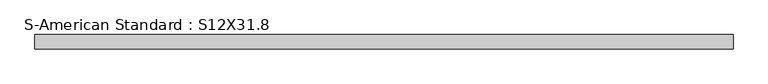
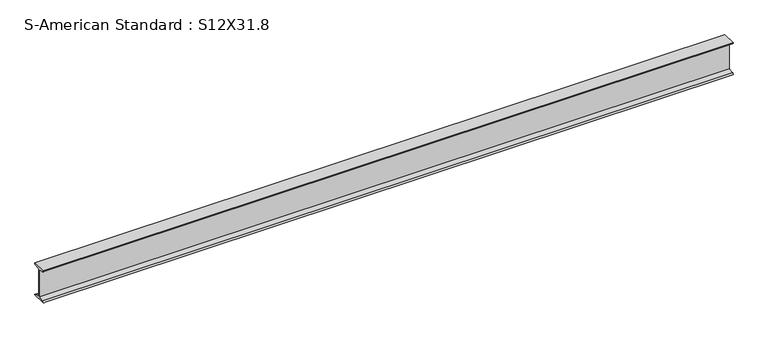
"""IFC4 building model written with IfcOpenShell, lengths in millimetres: beam geometry, S-American Standard : S12X31.8."""

from ifc_helpers import new_model, si_unit, point, frame, frame_2d, origin, place, context, project, spatial, polyline, circle_curve, trimmed, segment, composite_curve, outline, extrude, source, transform, mapped, element, save


def s_american_standard_s12x31_8_84b855fe(model_context):
    return source(origin(), model_context, "Body", "SweptSolid", [
        extrude(outline(composite_curve([segment(polyline([(-63.5, 152.4), (63.5, 152.4)]), True, "CONTINUOUS"), segment(trimmed(circle_curve(frame_2d((49.7, 152.4)), 13.8), [point((63.5, 152.4))], [point((49.7, 138.6))], False, "CARTESIAN"), True, "CONTINUOUS"), segment(polyline([(49.7, 138.6), (4.45, 131.4331041), (4.45, -131.4331041), (49.7, -138.6)]), True, "CONTINUOUS"), segment(trimmed(circle_curve(frame_2d((49.7, -152.4)), 13.8), [point((49.7, -138.6))], [point((63.5, -152.4))], False, "CARTESIAN"), True, "CONTINUOUS"), segment(polyline([(63.5, -152.4), (-63.5, -152.4)]), True, "CONTINUOUS"), segment(trimmed(circle_curve(frame_2d((-49.7, -152.4)), 13.8), [point((-63.5, -152.4))], [point((-49.7, -138.6))], False, "CARTESIAN"), True, "CONTINUOUS"), segment(polyline([(-49.7, -138.6), (-4.45, -131.4331041), (-4.45, 131.4331041), (-49.7, 138.6)]), True, "CONTINUOUS"), segment(trimmed(circle_curve(frame_2d((-49.7, 152.4)), 13.8), [point((-49.7, 138.6))], [point((-63.5, 152.4))], False, "CARTESIAN"), True, "CONTINUOUS")], self_intersect=False)), frame((-2836.3093659, 0.0, 0.0), z_axis=(1.0, 0.0, 0.0), x_axis=(0.0, 1.0, 0.0)), (0.0, 0.0, 1.0), 6237.6222358),
    ])


if __name__ == "__main__":
    model = new_model("IFC4")
    model_context = context("Model", 3, world=origin())
    ifc_project = project(units=[si_unit("LENGTHUNIT", "METRE", prefix="MILLI")], contexts=[model_context])
    site = spatial("IfcSite", under=ifc_project)
    building = spatial("IfcBuilding", under=site)
    placement = place(None, origin())
    s_american_standard_s12x31_8_shape = s_american_standard_s12x31_8_84b855fe(model_context)
    element("IfcBeam", 1, ObjectType="S-American Standard : S12X31.8", at=placement, inside=building, context=model_context, shape_type="MappedRepresentation", body=[
        mapped(s_american_standard_s12x31_8_shape, transform((0.0, 0.0, 0.0), x_axis=(1.0, 0.0, 0.0), y_axis=(0.0, 1.0, 0.0), z_axis=(0.0, 0.0, 1.0))),
    ])
    save(model, "model.ifc")
